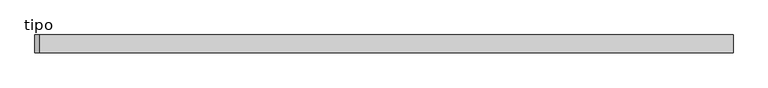
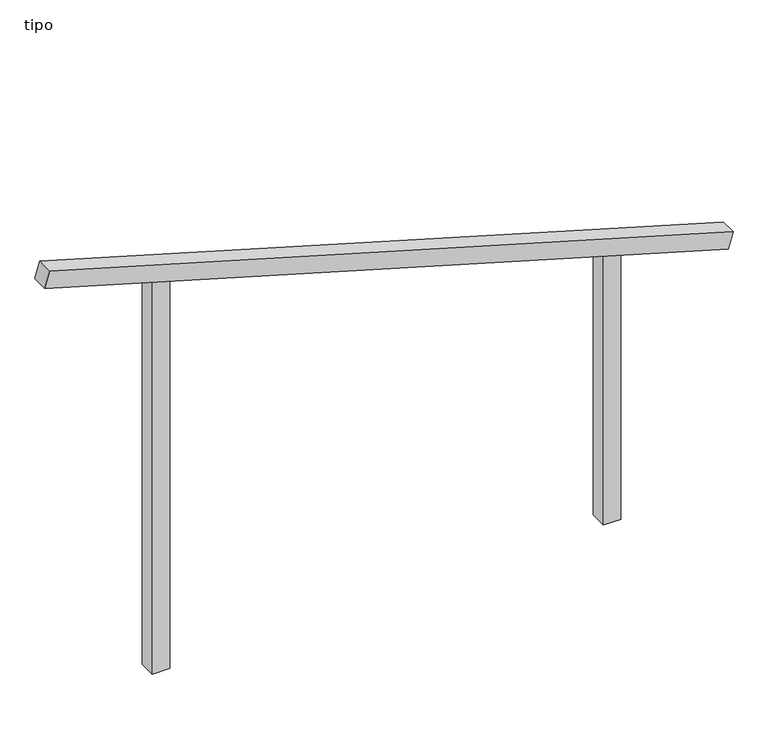
"""IFC4 building model written with IfcOpenShell, lengths in millimetres: proxy geometry, tipo."""

from ifc_helpers import new_model, si_unit, frame, origin, place, context, project, spatial, polyline, outline, extrude, source, transform, mapped, element, save


def tipo_fa0548f1(model_context):
    return source(origin(), model_context, "Body", "SweptSolid", [
        extrude(outline(polyline([(0.0, -4100.0), (0.0, 0.0), (100.0, 0.0), (100.0, -4100.0), (0.0, -4100.0)])), frame((-1969.1484795, -100.0, 2570.0475994), z_axis=(0.2780719997144178, 0.0, 0.9605602339129102), x_axis=(0.0, 1.0, 0.0)), (0.0, 0.0, 1.0), 100.0),
        extrude(outline(polyline([(1609.1893185, 1350.0), (1638.1382579, 1250.0), (0.0, 1250.0), (0.0, 1350.0), (1609.1893185, 1350.0)])), frame((0.0, -100.0, 0.0), z_axis=(0.0, 1.0, 0.0), x_axis=(0.0, 0.0, 1.0)), (0.0, 0.0, 1.0), 100.0),
        extrude(outline(polyline([(2390.8106815, -1350.0), (0.0, -1350.0), (0.0, -1250.0), (2361.8617421, -1250.0), (2390.8106815, -1350.0)])), frame((0.0, -100.0, 0.0), z_axis=(0.0, 1.0, 0.0), x_axis=(0.0, 0.0, 1.0)), (0.0, 0.0, 1.0), 100.0),
    ])


if __name__ == "__main__":
    model = new_model("IFC4")
    model_context = context("Model", 3, world=origin())
    ifc_project = project(units=[si_unit("LENGTHUNIT", "METRE", prefix="MILLI")], contexts=[model_context])
    site = spatial("IfcSite", under=ifc_project)
    building = spatial("IfcBuilding", under=site)
    placement = place(None, origin())
    tipo_shape = tipo_fa0548f1(model_context)
    element("IfcBuildingElementProxy", 1, Name="tipo", ObjectType="tipo", at=placement, inside=building, context=model_context, shape_type="MappedRepresentation", body=[
        mapped(tipo_shape, transform((0.0, 0.0, 0.0), x_axis=(1.0, 0.0, 0.0), y_axis=(0.0, 1.0, 0.0), z_axis=(0.0, 0.0, 1.0))),
    ])
    save(model, "model.ifc")
